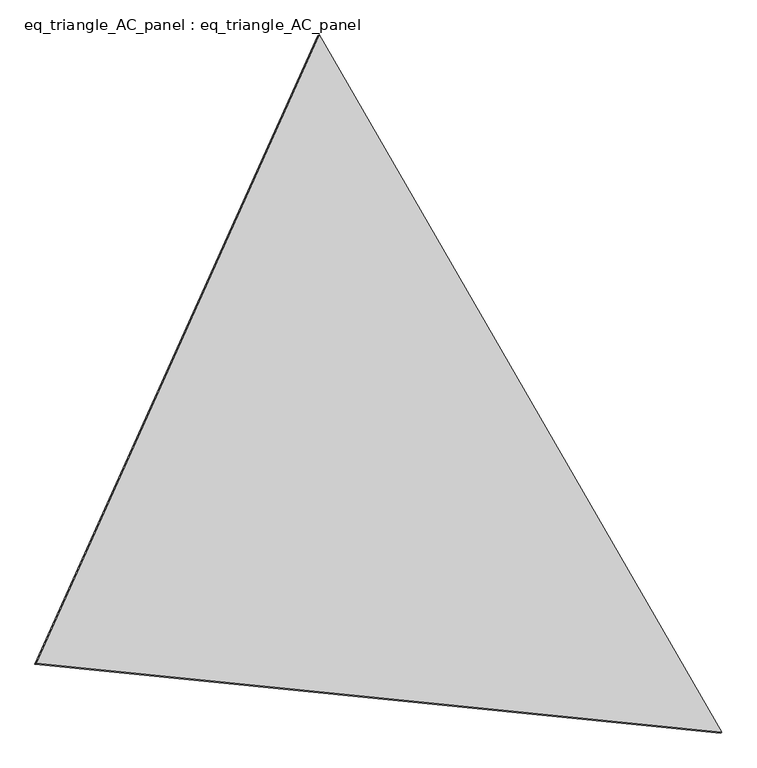
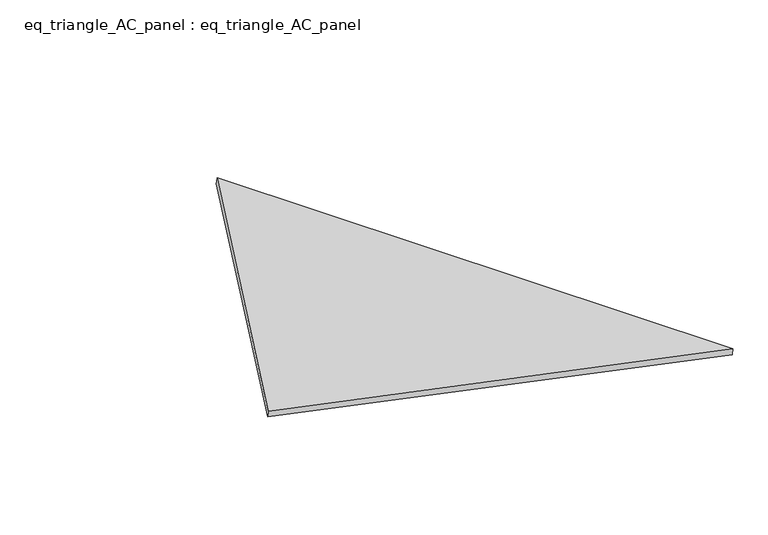
"""IFC4 building model written with IfcOpenShell, lengths in millimetres: proxy geometry, eq_triangle_AC_panel : eq_triangle_AC_panel."""

from ifc_helpers import new_model, si_unit, frame, origin, place, context, project, spatial, polyline, outline, extrude, source, transform, mapped, element, save


def eq_triangle_ac_panel_eq_triangle_ac_panel_c2eaa932(model_context):
    return source(origin(), model_context, "Body", "SweptSolid", [
        extrude(outline(polyline([(-2017.7410617, 947.6284382), (2017.7410616, 947.6284382), (-1e-07, -1895.2568765), (-2017.7410617, 947.6284382)])), frame((0.0038051, 527.9290861, 89.8240019), z_axis=(0.1452632851805821, 0.08386570281802214, 0.9858321976225894), x_axis=(0.5000027697417903, -0.8660238046640846, -2.3836681306359337e-06)), (0.0, 0.0, 1.0), 43.8306294),
    ])


if __name__ == "__main__":
    model = new_model("IFC4")
    model_context = context("Model", 3, world=origin())
    ifc_project = project(units=[si_unit("LENGTHUNIT", "METRE", prefix="MILLI")], contexts=[model_context])
    site = spatial("IfcSite", under=ifc_project)
    building = spatial("IfcBuilding", under=site)
    placement = place(None, origin())
    eq_triangle_ac_panel_eq_triangle_ac_panel_shape = eq_triangle_ac_panel_eq_triangle_ac_panel_c2eaa932(model_context)
    element("IfcBuildingElementProxy", 1, Name="eq_triangle_AC_panel : eq_triangle_AC_panel", ObjectType="eq_triangle_AC_panel : eq_triangle_AC_panel", at=placement, inside=building, context=model_context, shape_type="MappedRepresentation", body=[
        mapped(eq_triangle_ac_panel_eq_triangle_ac_panel_shape, transform((0.0, 0.0, 0.0), x_axis=(1.0, 0.0, 0.0), y_axis=(0.0, 1.0, 0.0), z_axis=(0.0, 0.0, 1.0))),
    ])
    save(model, "model.ifc")
